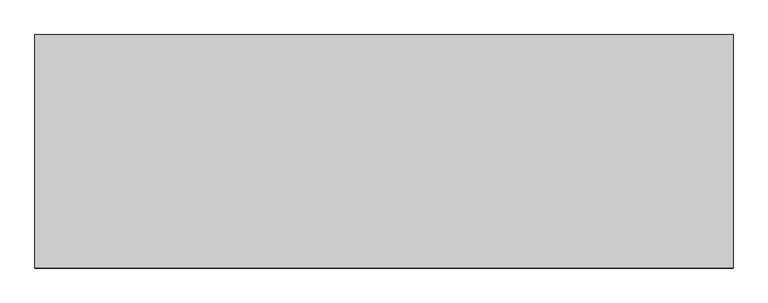
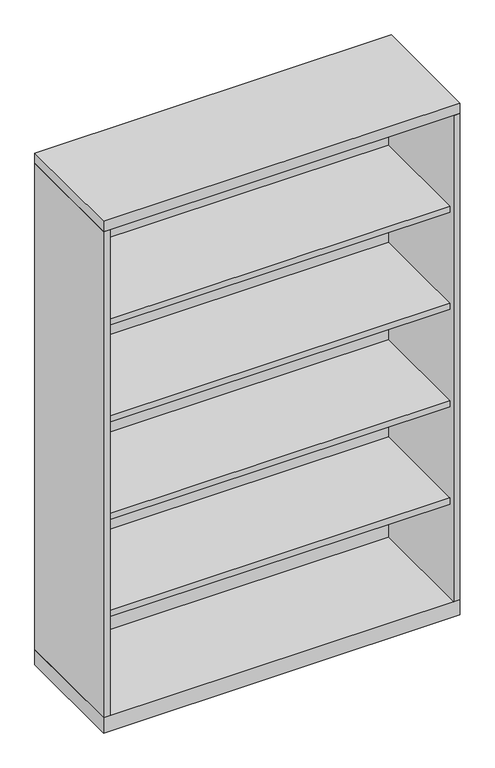
"""IFC4 building model written with IfcOpenShell, lengths in millimetres: furniture geometry."""

from ifc_helpers import new_model, si_unit, frame, origin, origin_with_axes, place, context, project, spatial, polyline, outline, extrude, source, transform, mapped, element, save


def furniture_0f728fcf(model_context):
    return source(origin(), model_context, "Body", "SweptSolid", [
        extrude(outline(polyline([(512.7625, -19.05), (512.7625, -336.55), (-512.7625, -336.55), (-512.7625, -19.05), (512.7625, -19.05)])), frame((0.0, 0.0, 958.215), z_axis=(0.0, 0.0, 1.0), x_axis=(1.0, 0.0, 0.0)), (0.0, 0.0, 1.0), 19.05),
        extrude(outline(polyline([(512.7625, -19.05), (512.7625, -336.55), (-512.7625, -336.55), (-512.7625, -19.05), (512.7625, -19.05)])), frame((0.0, 0.0, 651.51), z_axis=(0.0, 0.0, 1.0), x_axis=(1.0, 0.0, 0.0)), (0.0, 0.0, 1.0), 19.05),
        extrude(outline(polyline([(512.7625, -19.05), (512.7625, -336.55), (-512.7625, -336.55), (-512.7625, -19.05), (512.7625, -19.05)])), frame((0.0, 0.0, 1264.92), z_axis=(0.0, 0.0, 1.0), x_axis=(1.0, 0.0, 0.0)), (0.0, 0.0, 1.0), 19.05),
        extrude(outline(polyline([(512.7625, -19.05), (512.7625, -336.55), (-512.7625, -336.55), (-512.7625, -19.05), (512.7625, -19.05)])), frame((0.0, 0.0, 344.805), z_axis=(0.0, 0.0, 1.0), x_axis=(1.0, 0.0, 0.0)), (0.0, 0.0, 1.0), 19.05),
        extrude(outline(polyline([(531.8125, 0.0), (531.8125, -355.6), (-531.8125, -355.6), (-531.8125, 0.0), (531.8125, 0.0)])), origin_with_axes(), (0.0, 0.0, 1.0), 47.625),
        extrude(outline(polyline([(531.8125, 0.0), (531.8125, -355.6), (-531.8125, -355.6), (-531.8125, 0.0), (531.8125, 0.0)])), frame((0.0, 0.0, 1581.15), z_axis=(0.0, 0.0, 1.0), x_axis=(1.0, 0.0, 0.0)), (0.0, 0.0, 1.0), 31.75),
        extrude(outline(polyline([(531.8125, 0.0), (531.8125, -355.6), (512.7625, -355.6), (512.7625, -19.05), (-512.7625, -19.05), (-512.7625, -355.6), (-531.8125, -355.6), (-531.8125, 0.0), (531.8125, 0.0)])), frame((0.0, 0.0, 47.625), z_axis=(0.0, 0.0, 1.0), x_axis=(1.0, 0.0, 0.0)), (0.0, 0.0, 1.0), 1533.525),
    ])


if __name__ == "__main__":
    model = new_model("IFC4")
    model_context = context("Model", 3, world=origin())
    ifc_project = project(units=[si_unit("LENGTHUNIT", "METRE", prefix="MILLI")], contexts=[model_context])
    site = spatial("IfcSite", under=ifc_project)
    building = spatial("IfcBuilding", under=site)
    placement = place(None, origin())
    furniture_shape = furniture_0f728fcf(model_context)
    element("IfcFurniture", 1, at=placement, inside=building, context=model_context, shape_type="MappedRepresentation", body=[
        mapped(furniture_shape, transform((0.0, 0.0, 0.0), x_axis=(1.0, 0.0, 0.0), y_axis=(0.0, 1.0, 0.0), z_axis=(0.0, 0.0, 1.0))),
    ])
    save(model, "model.ifc")
